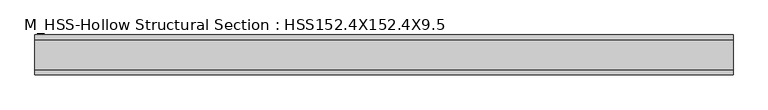
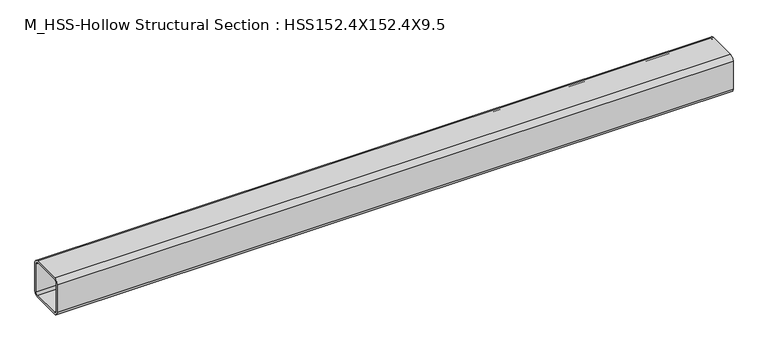
"""IFC4 building model written with IfcOpenShell, lengths in millimetres: member geometry, M_HSS-Hollow Structural Section : HSS152.4X152.4X9.5."""

from ifc_helpers import new_model, si_unit, point, frame, frame_2d, origin, place, context, project, spatial, polyline, circle_curve, trimmed, segment, composite_curve, outline, extrude, source, transform, mapped, element, save


def m_hss_hollow_structural_section_hss152_4x152_4x9_5_162131cf(model_context):
    return source(origin(), model_context, "Body", "SweptSolid", [
        extrude(outline(composite_curve([segment(polyline([(76.0, 58.2), (76.0, -58.2)]), True, "CONTINUOUS"), segment(trimmed(circle_curve(frame_2d((58.2, -58.2)), 17.8), [point((76.0, -58.2))], [point((58.2, -76.0))], False, "CARTESIAN"), True, "CONTINUOUS"), segment(polyline([(58.2, -76.0), (-58.2, -76.0)]), True, "CONTINUOUS"), segment(trimmed(circle_curve(frame_2d((-58.2, -58.2)), 17.8), [point((-58.2, -76.0))], [point((-76.0, -58.2))], False, "CARTESIAN"), True, "CONTINUOUS"), segment(polyline([(-76.0, -58.2), (-76.0, 58.2)]), True, "CONTINUOUS"), segment(trimmed(circle_curve(frame_2d((-58.2, 58.2)), 17.8), [point((-76.0, 58.2))], [point((-58.2, 76.0))], False, "CARTESIAN"), True, "CONTINUOUS"), segment(polyline([(-58.2, 76.0), (58.2, 76.0)]), True, "CONTINUOUS"), segment(trimmed(circle_curve(frame_2d((58.2, 58.2)), 17.8), [point((58.2, 76.0))], [point((76.0, 58.2))], False, "CARTESIAN"), True, "CONTINUOUS")], self_intersect=False), holes=[composite_curve([segment(trimmed(circle_curve(frame_2d((-58.2, 58.2)), 8.9), [point((-58.2, 67.1))], [point((-67.1, 58.2))], True, "CARTESIAN"), True, "CONTINUOUS"), segment(polyline([(-67.1, 58.2), (-67.1, -58.2)]), True, "CONTINUOUS"), segment(trimmed(circle_curve(frame_2d((-58.2, -58.2)), 8.9), [point((-67.1, -58.2))], [point((-58.2, -67.1))], True, "CARTESIAN"), True, "CONTINUOUS"), segment(polyline([(-58.2, -67.1), (58.2, -67.1)]), True, "CONTINUOUS"), segment(trimmed(circle_curve(frame_2d((58.2, -58.2)), 8.9), [point((58.2, -67.1))], [point((67.1, -58.2))], True, "CARTESIAN"), True, "CONTINUOUS"), segment(polyline([(67.1, -58.2), (67.1, 58.2)]), True, "CONTINUOUS"), segment(trimmed(circle_curve(frame_2d((58.2, 58.2)), 8.9), [point((67.1, 58.2))], [point((58.2, 67.1))], True, "CARTESIAN"), True, "CONTINUOUS"), segment(polyline([(58.2, 67.1), (-58.2, 67.1)]), True, "CONTINUOUS")], self_intersect=False)]), frame((-1350.6, 0.0, 0.0), z_axis=(1.0, 0.0, 0.0), x_axis=(0.0, 1.0, 0.0)), (0.0, 0.0, 1.0), 2671.2),
    ])


if __name__ == "__main__":
    model = new_model("IFC4")
    model_context = context("Model", 3, world=origin())
    ifc_project = project(units=[si_unit("LENGTHUNIT", "METRE", prefix="MILLI")], contexts=[model_context])
    site = spatial("IfcSite", under=ifc_project)
    building = spatial("IfcBuilding", under=site)
    placement = place(None, origin())
    m_hss_hollow_structural_section_hss152_4x152_4x9_5_shape = m_hss_hollow_structural_section_hss152_4x152_4x9_5_162131cf(model_context)
    element("IfcMember", 1, ObjectType="M_HSS-Hollow Structural Section : HSS152.4X152.4X9.5", at=placement, inside=building, context=model_context, shape_type="MappedRepresentation", body=[
        mapped(m_hss_hollow_structural_section_hss152_4x152_4x9_5_shape, transform((0.0, 0.0, 0.0), x_axis=(1.0, 0.0, 0.0), y_axis=(0.0, 1.0, 0.0), z_axis=(0.0, 0.0, 1.0))),
    ])
    save(model, "model.ifc")
